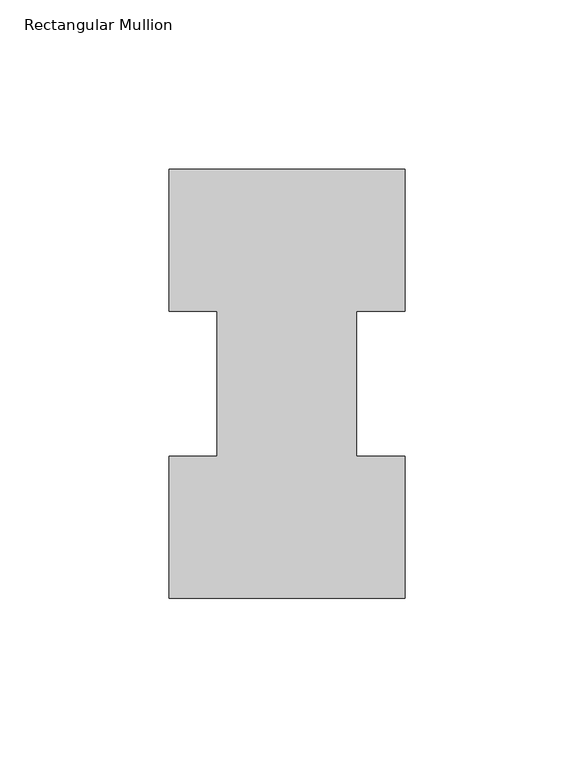
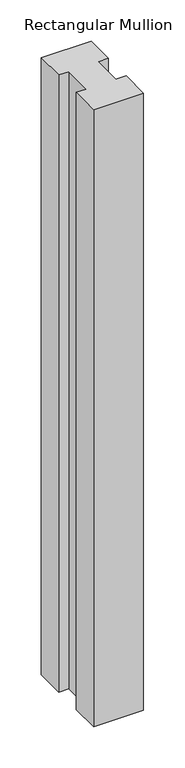
"""IFC4 building model written with IfcOpenShell, lengths in millimetres: member geometry, Rectangular Mullion."""

from ifc_helpers import new_model, si_unit, frame, origin, place, context, project, spatial, polyline, outline, extrude, source, transform, mapped, element, save


def rectangular_mullion_8eaefa8a(model_context):
    return source(origin(), model_context, "Body", "SweptSolid", [
        extrude(outline(polyline([(-34.925, 127.00635), (34.925, 127.00635), (34.925, 84.93125), (20.6375, 84.93125), (20.6375, 42.08145), (34.925, 42.08145), (34.925, 0.00635), (-34.925, 0.00635), (-34.925, 42.08145), (-20.6375, 42.08145), (-20.6375, 84.93125), (-34.925, 84.93125), (-34.925, 127.00635)])), frame((0.0, 0.0, -914.4), z_axis=(0.0, 0.0, 1.0), x_axis=(1.0, 0.0, 0.0)), (0.0, 0.0, 1.0), 914.4),
    ])


if __name__ == "__main__":
    model = new_model("IFC4")
    model_context = context("Model", 3, world=origin())
    ifc_project = project(units=[si_unit("LENGTHUNIT", "METRE", prefix="MILLI")], contexts=[model_context])
    site = spatial("IfcSite", under=ifc_project)
    building = spatial("IfcBuilding", under=site)
    placement = place(None, origin())
    rectangular_mullion_shape = rectangular_mullion_8eaefa8a(model_context)
    element("IfcMember", 1, ObjectType="Rectangular Mullion", at=placement, inside=building, context=model_context, shape_type="MappedRepresentation", body=[
        mapped(rectangular_mullion_shape, transform((0.0, 0.0, 0.0), x_axis=(1.0, 0.0, 0.0), y_axis=(0.0, 1.0, 0.0), z_axis=(0.0, 0.0, 1.0))),
    ])
    save(model, "model.ifc")
